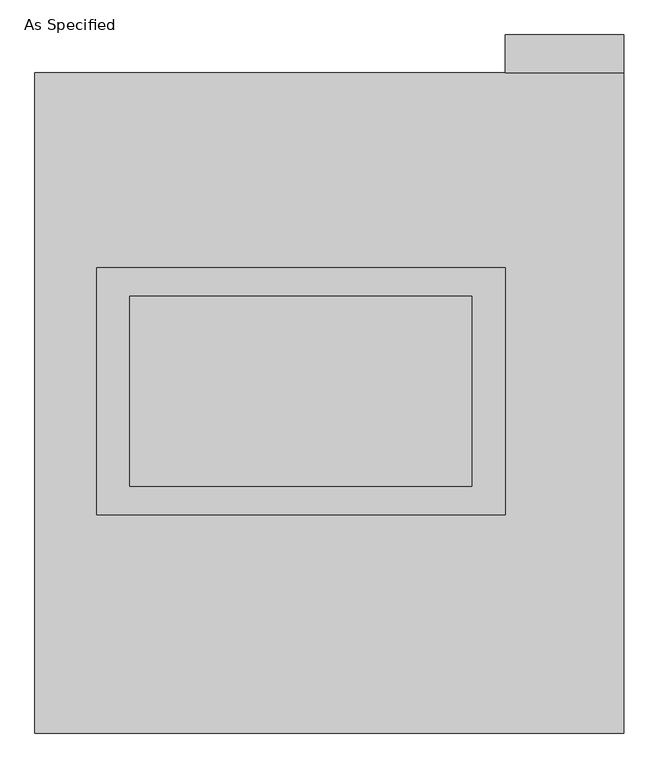
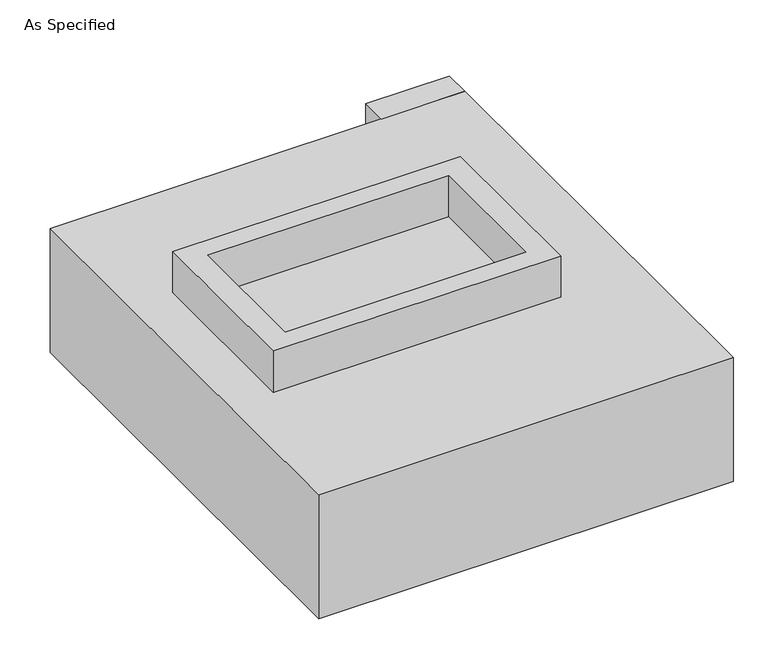
"""IFC4 building model written with IfcOpenShell, lengths in millimetres: proxy geometry, As Specified."""

from ifc_helpers import new_model, si_unit, frame, origin, place, context, project, spatial, polyline, outline, extrude, faceted_brep, source, transform, mapped, element, save


def as_specified_bc49405d(model_context):
    return source(origin(), model_context, "Body", "SolidModel", [
        extrude(outline(polyline([(546.1, 361.95), (546.1, -298.45), (-546.1, -298.45), (-546.1, 361.95), (546.1, 361.95)]), holes=[polyline([(457.2, 285.75), (-457.2, 285.75), (-457.2, -222.25), (457.2, -222.25), (457.2, 285.75)])]), frame((0.0, 0.0, -25.4), z_axis=(0.0, 0.0, 1.0), x_axis=(1.0, 0.0, 0.0)), (0.0, 0.0, 1.0), 165.1),
        extrude(outline(polyline([(546.1, 882.65), (546.1, 984.25), (863.6, 984.25), (863.6, 882.65), (546.1, 882.65)])), frame((0.0, 0.0, -523.875), z_axis=(0.0, 0.0, 1.0), x_axis=(1.0, 0.0, 0.0)), (0.0, 0.0, 1.0), 498.475),
        extrude(outline(polyline([(457.2, 285.75), (457.2, -222.25), (-457.2, -222.25), (-457.2, 285.75), (457.2, 285.75)])), frame((0.0, 0.0, -30.3609375), z_axis=(0.0, 0.0, 1.0), x_axis=(1.0, 0.0, 0.0)), (0.0, 0.0, 1.0), 4.9609375),
        faceted_brep([(863.6, -882.65, -523.875), (-711.2, -882.65, -523.875), (-711.2, 882.65, -523.875), (863.6, 882.65, -523.875), (863.6, 882.65, -25.4), (-711.2, 882.65, -25.4), (-711.2, -882.65, -25.4), (863.6, -882.65, -25.4), (546.1, 361.95, -25.4), (546.1, -298.45, -25.4), (-546.1, -298.45, -25.4), (-546.1, 361.95, -25.4), (546.1, 361.95, -498.475), (-546.1, 361.95, -498.475), (-546.1, -298.45, -498.475), (546.1, -298.45, -498.475)], [[[0, 1, 2, 3]], [[4, 5, 6, 7], [8, 9, 10, 11]], [[3, 2, 5, 4]], [[2, 1, 6, 5]], [[0, 3, 4, 7]], [[12, 13, 14, 15]], [[14, 13, 11, 10]], [[13, 12, 8, 11]], [[12, 15, 9, 8]], [[10, 9, 15, 14]], [[1, 0, 7, 6]]]),
    ])


if __name__ == "__main__":
    model = new_model("IFC4")
    model_context = context("Model", 3, world=origin())
    ifc_project = project(units=[si_unit("LENGTHUNIT", "METRE", prefix="MILLI")], contexts=[model_context])
    site = spatial("IfcSite", under=ifc_project)
    building = spatial("IfcBuilding", under=site)
    placement = place(None, origin())
    as_specified_shape = as_specified_bc49405d(model_context)
    element("IfcBuildingElementProxy", 1, Name="As Specified", ObjectType="As Specified", at=placement, inside=building, context=model_context, shape_type="MappedRepresentation", body=[
        mapped(as_specified_shape, transform((0.0, 0.0, 0.0), x_axis=(1.0, 0.0, 0.0), y_axis=(0.0, 1.0, 0.0), z_axis=(0.0, 0.0, 1.0))),
    ])
    save(model, "model.ifc")
